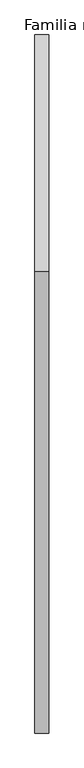
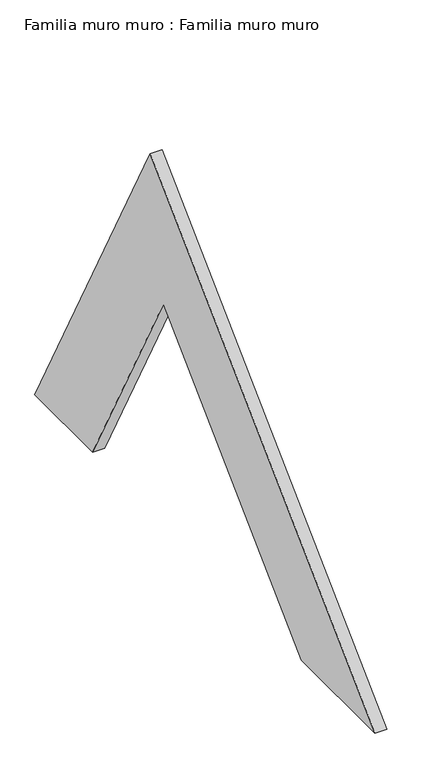
"""IFC4 building model written with IfcOpenShell, lengths in millimetres: plate geometry, Familia muro muro : Familia muro muro."""

from ifc_helpers import new_model, si_unit, frame, origin, place, context, project, spatial, polyline, outline, extrude, source, transform, mapped, element, save


def familia_muro_muro_familia_muro_muro_b1d9b66a(model_context):
    return source(origin(), model_context, "Body", "SweptSolid", [
        extrude(outline(polyline([(-339.2648975, 638.0644716), (0.0, 0.0), (-169.8855076, 0.0), (-378.2555655, 391.8870825), (-784.0665191, 0.0), (-1000.0, 0.0), (-339.2648975, 638.0644716)])), frame((0.0, 0.0, 0.0), z_axis=(1.0, 0.0, 0.0), x_axis=(0.0, 1.0, 0.0)), (0.0, 0.0, 1.0), 20.0),
    ])


if __name__ == "__main__":
    model = new_model("IFC4")
    model_context = context("Model", 3, world=origin())
    ifc_project = project(units=[si_unit("LENGTHUNIT", "METRE", prefix="MILLI")], contexts=[model_context])
    site = spatial("IfcSite", under=ifc_project)
    building = spatial("IfcBuilding", under=site)
    placement = place(None, origin())
    familia_muro_muro_familia_muro_muro_shape = familia_muro_muro_familia_muro_muro_b1d9b66a(model_context)
    element("IfcPlate", 1, ObjectType="Familia muro muro : Familia muro muro", at=placement, inside=building, context=model_context, shape_type="MappedRepresentation", body=[
        mapped(familia_muro_muro_familia_muro_muro_shape, transform((0.0, 0.0, 0.0), x_axis=(1.0, 0.0, 0.0), y_axis=(0.0, 1.0, 0.0), z_axis=(0.0, 0.0, 1.0))),
    ])
    save(model, "model.ifc")
